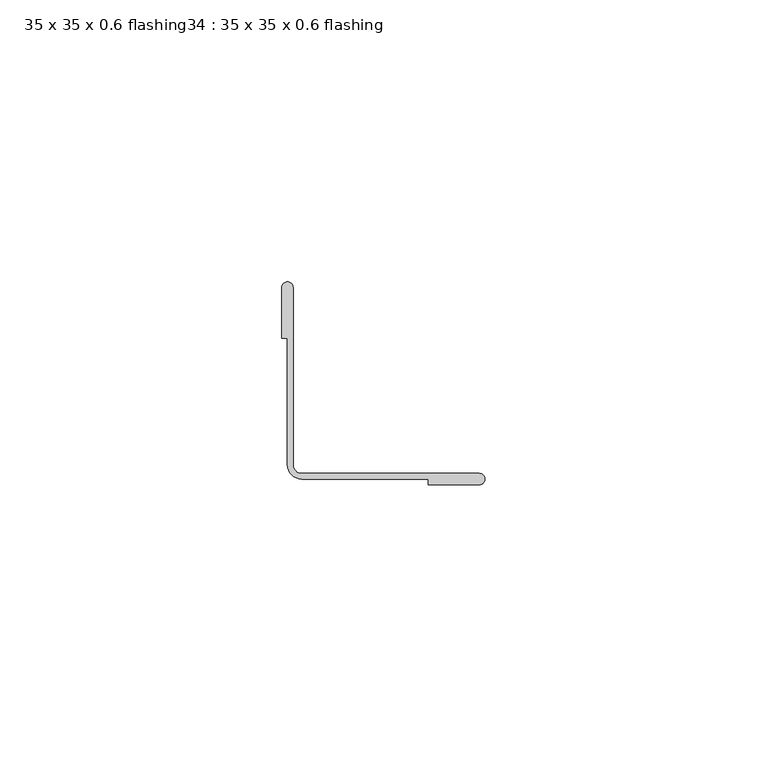
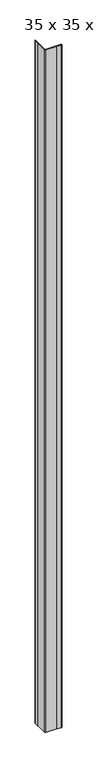
"""IFC4 building model written with IfcOpenShell, lengths in millimetres: proxy geometry, 35 x 35 x 0.6 flashing34 : 35 x 35 x 0.6 flashing."""

from ifc_helpers import new_model, si_unit, point, frame, frame_2d, origin, place, context, project, spatial, polyline, circle_curve, trimmed, segment, composite_curve, outline, extrude, source, transform, mapped, element, save


def proxy_35_x_35_x_0_6_flashing34_35_x_35_x_0_6_flashing_c8058c81(model_context):
    return source(origin(), model_context, "Body", "SweptSolid", [
        extrude(outline(composite_curve([segment(polyline([(-9431.3584849, -25252.2425524), (-9432.3584849, -25252.2425524), (-9432.3584849, -25243.2407683)]), True, "CONTINUOUS"), segment(trimmed(circle_curve(frame_2d((-9431.3584849, -25243.2407683)), 1.0), [point((-9432.3584849, -25243.2407683))], [point((-9430.3584849, -25243.2407683))], False, "CARTESIAN"), True, "CONTINUOUS"), segment(polyline([(-9430.3584849, -25243.2407683), (-9430.3584849, -25274.7425524)]), True, "CONTINUOUS"), segment(trimmed(circle_curve(frame_2d((-9428.8584849, -25274.7425524)), 1.5), [point((-9430.3584849, -25274.7425524))], [point((-9428.8584849, -25276.2425524))], True, "CARTESIAN"), True, "CONTINUOUS"), segment(polyline([(-9428.8584849, -25276.2425524), (-9397.3258075, -25276.2425524)]), True, "CONTINUOUS"), segment(trimmed(circle_curve(frame_2d((-9397.3258075, -25277.2425524)), 1.0), [point((-9397.3258075, -25276.2425524))], [point((-9397.3258075, -25278.2425524))], False, "CARTESIAN"), True, "CONTINUOUS"), segment(polyline([(-9397.3258075, -25278.2425524), (-9406.3584849, -25278.2425524), (-9406.3584849, -25277.2425524), (-9428.8584849, -25277.2425524)]), True, "CONTINUOUS"), segment(trimmed(circle_curve(frame_2d((-9428.8584849, -25274.7425524)), 2.5), [point((-9428.8584849, -25277.2425524))], [point((-9431.3584849, -25274.7425524))], False, "CARTESIAN"), True, "CONTINUOUS"), segment(polyline([(-9431.3584849, -25274.7425524), (-9431.3584849, -25252.2425524)]), True, "CONTINUOUS")], self_intersect=False)), frame((0.0, 0.0, 154.3306303), z_axis=(0.0, 0.0, 1.0), x_axis=(1.0, 0.0, 0.0)), (0.0, 0.0, 1.0), 1500.0),
    ])


if __name__ == "__main__":
    model = new_model("IFC4")
    model_context = context("Model", 3, world=origin())
    ifc_project = project(units=[si_unit("LENGTHUNIT", "METRE", prefix="MILLI")], contexts=[model_context])
    site = spatial("IfcSite", under=ifc_project)
    building = spatial("IfcBuilding", under=site)
    placement = place(None, origin())
    proxy_35_x_35_x_0_6_flashing34_35_x_35_x_0_6_flashing_shape = proxy_35_x_35_x_0_6_flashing34_35_x_35_x_0_6_flashing_c8058c81(model_context)
    element("IfcBuildingElementProxy", 1, Name="35 x 35 x 0.6 flashing34 : 35 x 35 x 0.6 flashing", ObjectType="35 x 35 x 0.6 flashing34 : 35 x 35 x 0.6 flashing", at=placement, inside=building, context=model_context, shape_type="MappedRepresentation", body=[
        mapped(proxy_35_x_35_x_0_6_flashing34_35_x_35_x_0_6_flashing_shape, transform((0.0, 0.0, 0.0), x_axis=(1.0, 0.0, 0.0), y_axis=(0.0, 1.0, 0.0), z_axis=(0.0, 0.0, 1.0))),
    ])
    save(model, "model.ifc")
